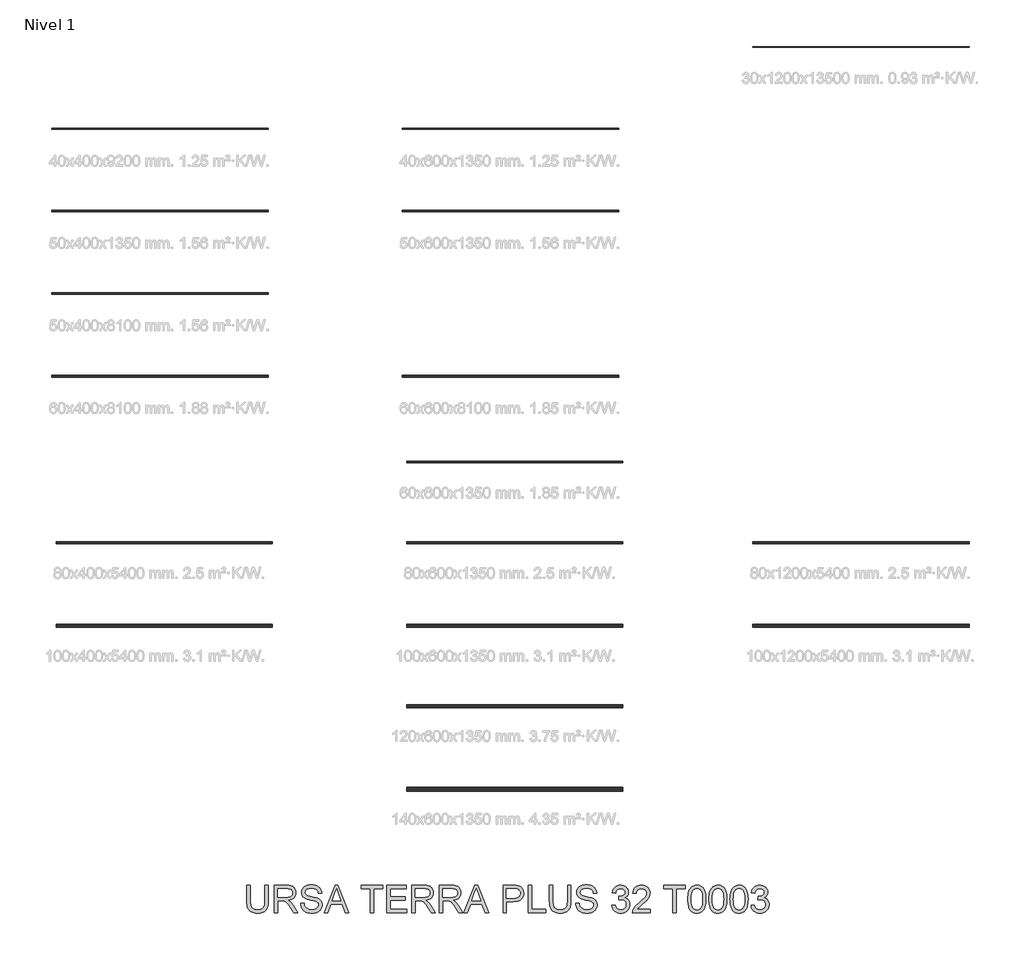
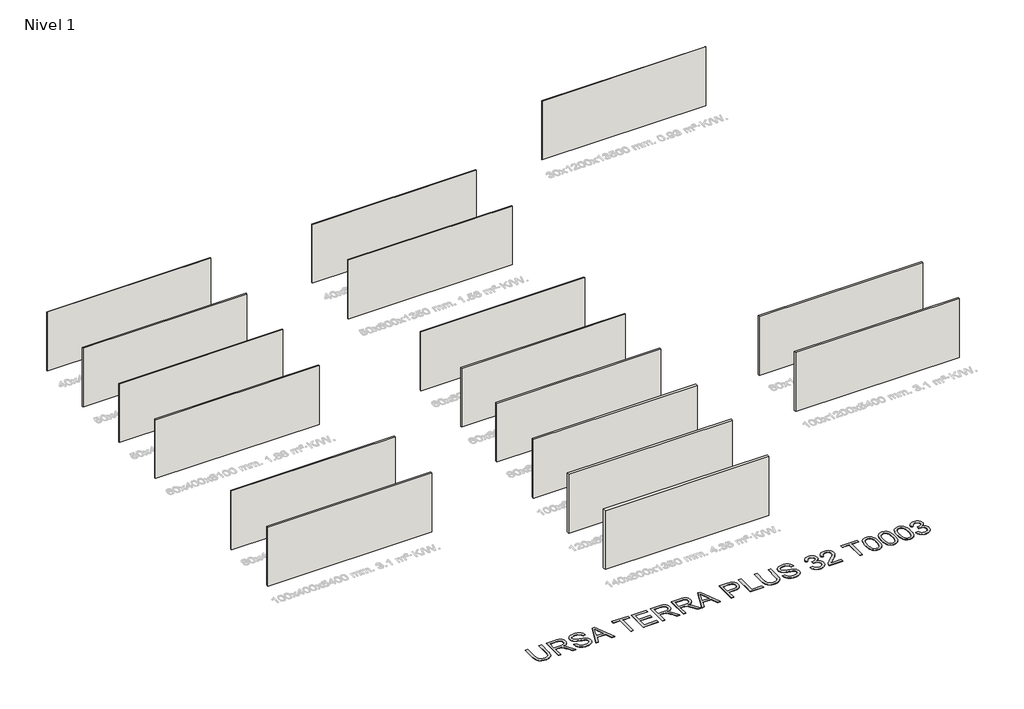
# One storey, part 1 of 18: 17 walls, 1 proxy.
"""IFC4 building model written with IfcOpenShell, lengths in millimetres."""

from ifc_helpers import new_model, si_unit, origin, origin_with_axes, place, context, project, spatial, polyline, outline, extrude, element, save

model = new_model("IFC4")

# Units and contexts
model_context = context("Model", 3, world=origin())
ifc_project = project(units=[si_unit("LENGTHUNIT", "METRE", prefix="MILLI")], contexts=[model_context])

# Site, building, storey
site = spatial("IfcSite", under=ifc_project)
building = spatial("IfcBuilding", under=site)
storey = spatial("IfcBuildingStorey", under=building, Name="Nivel 1", Elevation=0.0)

# Proxy
placement = place(None, origin())
element("IfcBuildingElementProxy", 1, Name="Texto de modelo 2", ObjectType="Texto de modelo 2", at=placement, inside=storey, context=model_context, shape_type="SweptSolid", body=[
    extrude(outline(polyline([(-18049.627589, -23651.2510129), (-17924.0572013, -23651.2510129), (-17924.0572013, -24230.7877827), (-17926.1878512, -24302.5477644), (-17932.5798009, -24366.5055821), (-17943.2330503, -24422.6612358), (-17958.1475996, -24471.0147255), (-17978.6110355, -24513.3977971), (-18005.9109453, -24551.6421961), (-18040.0473287, -24585.7479228), (-18081.0201859, -24615.714977), (-18128.8755022, -24640.1254802), (-18183.6592626, -24657.5615539), (-18245.3714673, -24668.0231981), (-18314.0121162, -24671.5104129), (-18380.9589751, -24668.4753864), (-18441.5138844, -24659.3703071), (-18495.676844, -24644.1951748), (-18543.4478539, -24622.9499895), (-18584.8345783, -24595.9489839), (-18619.8446815, -24563.5063905), (-18648.4781635, -24525.6222092), (-18670.7350242, -24482.29644), (-18687.4200055, -24432.0422267), (-18699.3378493, -24373.3727126), (-18706.4885556, -24306.287898), (-18708.8721244, -24230.7877827), (-18708.8721244, -23651.2510129), (-18583.3017367, -23651.2510129), (-18583.3017367, -24226.3731987), (-18581.7535666, -24287.0813921), (-18577.1090564, -24339.2210008), (-18569.3682061, -24382.7920246), (-18558.5310157, -24417.7944636), (-18543.9230348, -24446.7575065), (-18524.8698131, -24472.210342), (-18501.3713507, -24494.1529702), (-18473.4276475, -24512.585391), (-18441.5751981, -24527.1780435), (-18406.350497, -24537.6013666), (-18367.7535444, -24543.8553606), (-18325.7843401, -24545.9400252), (-18256.5765397, -24541.8166812), (-18198.0679741, -24529.4466491), (-18150.2586431, -24508.8299289), (-18130.3661907, -24495.4290608), (-18113.1485469, -24479.9665207), (-18098.2608224, -24461.572421), (-18085.3581278, -24439.3768739), (-18065.5078285, -24383.581438), (-18053.5976489, -24312.5802129), (-18049.627589, -24226.3731987), (-18049.627589, -23651.2510129)])), origin_with_axes(), (0.0, 0.0, 1.0), 10.0),
    extrude(outline(polyline([(-17704.3090229, -24655.8141144), (-17704.3090229, -23651.2510129), (-17271.4345419, -23651.2510129), (-17209.3008058, -23652.944803), (-17155.0918609, -23658.026173), (-17108.8077074, -23666.4951231), (-17070.4483452, -23678.3516532), (-17037.7834897, -23694.5078042), (-17008.5828563, -23715.8756168), (-16982.8464451, -23742.4550909), (-16960.574256, -23774.2462267), (-16942.6016877, -23809.5399056), (-16929.7641389, -23846.6270092), (-16922.0616096, -23885.5075376), (-16919.4940998, -23926.1814907), (-16923.7477354, -23977.7769405), (-16936.5086421, -24025.1417474), (-16957.77682, -24068.2759113), (-16987.552269, -24107.1794323), (-17026.2181995, -24140.6107086), (-17074.157822, -24167.3281385), (-17131.3711364, -24187.331722), (-17197.8581429, -24200.6214591), (-17156.4714184, -24227.6607857), (-17126.4890358, -24254.3322304), (-17075.0468701, -24315.3393279), (-17024.7083505, -24383.581438), (-16857.1994153, -24655.8141144), (-17003.1259401, -24655.8141144), (-17133.8466757, -24447.5929052), (-17186.1472327, -24368.1303942), (-17228.2697211, -24309.7597843), (-17263.3717948, -24269.5686763), (-17294.6111076, -24244.6446712), (-17324.1949514, -24230.0213618), (-17354.3306181, -24220.7323415), (-17427.1712532, -24216.3177575), (-17578.7386352, -24216.3177575), (-17578.7386352, -24655.8141144), (-17704.3090229, -24655.8141144)]), holes=[polyline([(-17578.7386352, -24090.7473698), (-17297.6767909, -24090.7473698), (-17216.9573498, -24086.3021291), (-17154.3254401, -24072.9664067), (-17129.1408518, -24062.742353), (-17107.175231, -24049.8511547), (-17088.4285777, -24034.292812), (-17072.9008918, -24016.0673248), (-17060.7224649, -23996.0714055), (-17052.0235886, -23975.2017665), (-17046.8042628, -23953.4584078), (-17045.0644875, -23930.8413293), (-17048.3830897, -23898.7282968), (-17058.3388962, -23869.5889771), (-17074.931907, -23843.4233702), (-17098.1621222, -23820.2314761), (-17128.5660362, -23801.2395681), (-17166.6801438, -23787.6739195), (-17212.5044448, -23779.5345303), (-17266.0389393, -23776.8214006), (-17578.7386352, -23776.8214006), (-17578.7386352, -24090.7473698)])]), origin_with_axes(), (0.0, 0.0, 1.0), 10.0),
    extrude(outline(polyline([(-16746.8348168, -24310.4955483), (-16621.2644291, -24310.4955483), (-16615.5162729, -24347.0461574), (-16606.8557176, -24380.1785295), (-16595.2827632, -24409.8926649), (-16580.7974096, -24436.1885633), (-16562.6638929, -24459.5950553), (-16540.1464491, -24480.6409711), (-16513.2450783, -24499.3263107), (-16481.9597802, -24515.6510743), (-16447.4401864, -24528.9024903), (-16410.8359278, -24538.3677875), (-16372.1470047, -24544.0469658), (-16331.3734169, -24545.9400252), (-16261.4145241, -24540.2071974), (-16229.7000305, -24533.0411628), (-16200.1621719, -24523.0087142), (-16173.5290483, -24510.4700695), (-16150.5287594, -24495.7854465), (-16131.1613052, -24478.9548453), (-16115.4266857, -24459.9782657), (-16103.2482588, -24439.6757781), (-16094.5493825, -24418.8674527), (-16089.3300567, -24397.5532896), (-16087.5902814, -24375.7332888), (-16092.801943, -24333.7027708), (-16108.4369278, -24297.3744238), (-16121.5887091, -24281.2565939), (-16140.1974067, -24266.3803657), (-16164.2630206, -24252.7457393), (-16193.7855507, -24240.3527145), (-16260.0962803, -24220.640371), (-16376.6229023, -24192.4054278), (-16496.6444032, -24160.6756058), (-16540.4453533, -24145.3855103), (-16573.4397697, -24130.4786253), (-16606.9706807, -24110.4750418), (-16635.9490521, -24088.2335095), (-16660.3748837, -24063.7540284), (-16680.2481756, -24037.0365985), (-16695.64557, -24008.3571313), (-16706.6437088, -23977.9915383), (-16713.2425921, -23945.9398195), (-16715.4422199, -23912.2019748), (-16712.7214259, -23874.8083029), (-16704.5590442, -23838.6562326), (-16690.9550745, -23803.7457641), (-16671.9095171, -23770.0768974), (-16647.6369696, -23739.0215256), (-16618.35203, -23711.9515421), (-16584.0546981, -23688.8669469), (-16544.7449741, -23669.76774), (-16501.7487659, -23654.7995413), (-16456.3919816, -23644.1079709), (-16408.6746211, -23637.6930286), (-16358.5966845, -23635.5547145), (-16303.9662082, -23637.7926633), (-16252.6466699, -23644.5065097), (-16204.6380695, -23655.6962537), (-16159.9404071, -23671.3618953), (-16119.3814172, -23691.3654788), (-16083.7888341, -23715.5690484), (-16053.162658, -23743.9726041), (-16027.5028889, -23776.576146), (-16007.0087961, -23812.4293121), (-15991.879649, -23850.5817407), (-15982.1154477, -23891.0334317), (-15977.7161922, -23933.7843852), (-16103.2865799, -23933.7843852), (-16111.6865521, -23893.7159046), (-16126.3405182, -23858.8590855), (-16147.2484783, -23829.2139281), (-16174.4104323, -23804.7804323), (-16208.3322179, -23785.6812253), (-16249.519673, -23772.0389347), (-16297.9727974, -23763.8535603), (-16353.6915913, -23761.1251022), (-16411.1884814, -23763.8229035), (-16460.3160562, -23771.9163074), (-16501.0743156, -23785.4053138), (-16533.4632596, -23804.2899229), (-16558.1420101, -23826.9913077), (-16575.769689, -23851.9306413), (-16586.3462964, -23879.1079237), (-16589.8718322, -23908.5231549), (-16587.3733003, -23933.8303705), (-16579.8777046, -23956.7770099), (-16567.3850452, -23977.3630732), (-16549.895322, -23995.5885604), (-16522.365486, -24012.8483574), (-16479.0167243, -24030.2920953), (-16419.8490367, -24047.9197742), (-16344.8624234, -24065.7313942), (-16206.4161659, -24099.3925967), (-16157.7024583, -24114.6137143), (-16122.6616983, -24128.7618427), (-16084.1643803, -24150.2062973), (-16051.0779934, -24174.3178964), (-16023.4025375, -24201.09664), (-16001.1380125, -24230.542528), (-15984.0238356, -24262.5022763), (-15971.7994234, -24296.8226008), (-15964.4647762, -24333.5035014), (-15962.0198937, -24372.5449781), (-15964.8326582, -24411.8240453), (-15973.2709514, -24449.9534813), (-15987.3347735, -24486.933286), (-16007.0241245, -24522.7634595), (-16031.9941149, -24556.0567801), (-16061.8998554, -24585.426026), (-16096.741346, -24610.8711974), (-16136.5185868, -24632.3922941), (-16180.0742822, -24649.5064711), (-16226.2511368, -24661.7308832), (-16275.0491506, -24669.0655305), (-16326.4683236, -24671.5104129), (-16390.7020528, -24668.8739253), (-16449.4941942, -24660.9644624), (-16502.8447477, -24647.7820242), (-16550.7537133, -24629.3266108), (-16593.5123311, -24605.5675653), (-16631.4118408, -24576.4742308), (-16664.4522425, -24542.0466074), (-16692.6335362, -24502.2846951), (-16715.3349209, -24458.4760809), (-16731.935596, -24411.9083516), (-16742.4355612, -24362.5815074), (-16746.8348168, -24310.4955483)])), origin_with_axes(), (0.0, 0.0, 1.0), 10.0),
    extrude(outline(polyline([(-15890.6507867, -24655.8141144), (-15489.6594119, -23651.2510129), (-15382.7283787, -23651.2510129), (-14981.7370039, -24655.8141144), (-15114.4197768, -24655.8141144), (-15229.444214, -24341.8881452), (-15643.1888312, -24341.8881452), (-15757.9680137, -24655.8141144), (-15890.6507867, -24655.8141144)]), holes=[polyline([(-15597.0809545, -24216.3177575), (-15275.3068361, -24216.3177575), (-15365.8058069, -23969.3463114), (-15436.1938953, -23776.8214006), (-15498.7338345, -23947.763901), (-15597.0809545, -24216.3177575)])]), origin_with_axes(), (0.0, 0.0, 1.0), 10.0),
    extrude(outline(polyline([(-14204.0344661, -24655.8141144), (-14204.0344661, -23776.8214006), (-14533.6567338, -23776.8214006), (-14533.6567338, -23651.2510129), (-13748.8418107, -23651.2510129), (-13748.8418107, -23776.8214006), (-14078.4640784, -23776.8214006), (-14078.4640784, -24655.8141144), (-14204.0344661, -24655.8141144)])), origin_with_axes(), (0.0, 0.0, 1.0), 10.0),
    extrude(outline(polyline([(-13607.5751246, -24655.8141144), (-13607.5751246, -23651.2510129), (-12885.5453954, -23651.2510129), (-12885.5453954, -23776.8214006), (-13482.0047369, -23776.8214006), (-13482.0047369, -24075.0510714), (-12916.9379923, -24075.0510714), (-12916.9379923, -24200.6214591), (-13482.0047369, -24200.6214591), (-13482.0047369, -24530.2437267), (-12869.8490969, -24530.2437267), (-12869.8490969, -24655.8141144), (-13607.5751246, -24655.8141144)])), origin_with_axes(), (0.0, 0.0, 1.0), 10.0),
    extrude(outline(polyline([(-12681.4935154, -24655.8141144), (-12681.4935154, -23651.2510129), (-12248.6190344, -23651.2510129), (-12186.4852983, -23652.944803), (-12132.2763534, -23658.026173), (-12085.9921999, -23666.4951231), (-12047.6328377, -23678.3516532), (-12014.9679822, -23694.5078042), (-11985.7673489, -23715.8756168), (-11960.0309376, -23742.4550909), (-11937.7587485, -23774.2462267), (-11919.7861802, -23809.5399056), (-11906.9486314, -23846.6270092), (-11899.2461021, -23885.5075376), (-11896.6785924, -23926.1814907), (-11900.9322279, -23977.7769405), (-11913.6931346, -24025.1417474), (-11934.9613125, -24068.2759113), (-11964.7367615, -24107.1794323), (-12003.402692, -24140.6107086), (-12051.3423145, -24167.3281385), (-12108.555629, -24187.331722), (-12175.0426354, -24200.6214591), (-12133.6559109, -24227.6607857), (-12103.6735283, -24254.3322304), (-12052.2313627, -24315.3393279), (-12001.892843, -24383.581438), (-11834.3839078, -24655.8141144), (-11980.3104326, -24655.8141144), (-12111.0311682, -24447.5929052), (-12163.3317252, -24368.1303942), (-12205.4542136, -24309.7597843), (-12240.5562874, -24269.5686763), (-12271.7956001, -24244.6446712), (-12301.3794439, -24230.0213618), (-12331.5151107, -24220.7323415), (-12404.3557457, -24216.3177575), (-12555.9231277, -24216.3177575), (-12555.9231277, -24655.8141144), (-12681.4935154, -24655.8141144)]), holes=[polyline([(-12555.9231277, -24090.7473698), (-12274.8612834, -24090.7473698), (-12194.1418423, -24086.3021291), (-12131.5099326, -24072.9664067), (-12106.3253444, -24062.742353), (-12084.3597236, -24049.8511547), (-12065.6130702, -24034.292812), (-12050.0853844, -24016.0673248), (-12037.9069575, -23996.0714055), (-12029.2080811, -23975.2017665), (-12023.9887553, -23953.4584078), (-12022.24898, -23930.8413293), (-12025.5675822, -23898.7282968), (-12035.5233887, -23869.5889771), (-12052.1163995, -23843.4233702), (-12075.3466147, -23820.2314761), (-12105.7505287, -23801.2395681), (-12143.8646363, -23787.6739195), (-12189.6889373, -23779.5345303), (-12243.2234318, -23776.8214006), (-12555.9231277, -23776.8214006), (-12555.9231277, -24090.7473698)])]), origin_with_axes(), (0.0, 0.0, 1.0), 10.0),
    extrude(outline(polyline([(-11676.9304139, -24655.8141144), (-11676.9304139, -23651.2510129), (-11244.0559329, -23651.2510129), (-11181.9221968, -23652.944803), (-11127.7132519, -23658.026173), (-11081.4290984, -23666.4951231), (-11043.0697362, -23678.3516532), (-11010.4048807, -23694.5078042), (-10981.2042474, -23715.8756168), (-10955.4678361, -23742.4550909), (-10933.195647, -23774.2462267), (-10915.2230787, -23809.5399056), (-10902.3855299, -23846.6270092), (-10894.6830006, -23885.5075376), (-10892.1154909, -23926.1814907), (-10896.3691264, -23977.7769405), (-10909.1300331, -24025.1417474), (-10930.398211, -24068.2759113), (-10960.17366, -24107.1794323), (-10998.8395905, -24140.6107086), (-11046.779213, -24167.3281385), (-11103.9925275, -24187.331722), (-11170.4795339, -24200.6214591), (-11129.0928094, -24227.6607857), (-11099.1104268, -24254.3322304), (-11047.6682612, -24315.3393279), (-10997.3297415, -24383.581438), (-10829.8208063, -24655.8141144), (-10975.7473311, -24655.8141144), (-11106.4680667, -24447.5929052), (-11158.7686237, -24368.1303942), (-11200.8911122, -24309.7597843), (-11235.9931859, -24269.5686763), (-11267.2324986, -24244.6446712), (-11296.8163424, -24230.0213618), (-11326.9520092, -24220.7323415), (-11399.7926442, -24216.3177575), (-11551.3600262, -24216.3177575), (-11551.3600262, -24655.8141144), (-11676.9304139, -24655.8141144)]), holes=[polyline([(-11551.3600262, -24090.7473698), (-11270.2981819, -24090.7473698), (-11189.5787408, -24086.3021291), (-11126.9468311, -24072.9664067), (-11101.7622429, -24062.742353), (-11079.7966221, -24049.8511547), (-11061.0499687, -24034.292812), (-11045.5222829, -24016.0673248), (-11033.343856, -23996.0714055), (-11024.6449796, -23975.2017665), (-11019.4256538, -23953.4584078), (-11017.6858786, -23930.8413293), (-11021.0044807, -23898.7282968), (-11030.9602872, -23869.5889771), (-11047.553298, -23843.4233702), (-11070.7835132, -23820.2314761), (-11101.1874273, -23801.2395681), (-11139.3015348, -23787.6739195), (-11185.1258358, -23779.5345303), (-11238.6603303, -23776.8214006), (-11551.3600262, -23776.8214006), (-11551.3600262, -24090.7473698)])]), origin_with_axes(), (0.0, 0.0, 1.0), 10.0),
    extrude(outline(polyline([(-10789.3537869, -24655.8141144), (-10388.3624121, -23651.2510129), (-10281.4313789, -23651.2510129), (-9880.4400041, -24655.8141144), (-10013.1227771, -24655.8141144), (-10128.1472142, -24341.8881452), (-10541.8918315, -24341.8881452), (-10656.671014, -24655.8141144), (-10789.3537869, -24655.8141144)]), holes=[polyline([(-10495.7839547, -24216.3177575), (-10174.0098363, -24216.3177575), (-10264.5088071, -23969.3463114), (-10334.8968955, -23776.8214006), (-10397.4368347, -23947.763901), (-10495.7839547, -24216.3177575)])]), origin_with_axes(), (0.0, 0.0, 1.0), 10.0),
    extrude(outline(polyline([(-9353.8782417, -24655.8141144), (-9353.8782417, -23651.2510129), (-8981.5816626, -23651.2510129), (-8894.8841391, -23653.6422459), (-8831.4858085, -23660.8159448), (-8796.5446832, -23668.3498615), (-8764.5619423, -23678.6888784), (-8735.5375857, -23691.8329955), (-8709.4716135, -23707.7822129), (-8686.0881142, -23726.8660914), (-8665.1111762, -23749.414192), (-8646.5407997, -23775.4265147), (-8630.3769845, -23804.9030596), (-8617.2865169, -23836.8704721), (-8607.9361828, -23870.3553979), (-8602.3259824, -23905.3578369), (-8600.4559156, -23941.8777891), (-8605.5066288, -24003.5440086), (-8620.6587685, -24060.2744779), (-8645.9123346, -24112.0691971), (-8681.2673272, -24158.9281663), (-8703.5031113, -24179.7364916), (-8729.8047579, -24197.7703736), (-8760.172267, -24213.0298122), (-8794.6056385, -24225.5148074), (-8833.1048725, -24235.2253592), (-8875.669969, -24242.1614677), (-8972.9977494, -24247.7103545), (-9228.307854, -24247.7103545), (-9228.307854, -24655.8141144), (-9353.8782417, -24655.8141144)]), holes=[polyline([(-9228.307854, -24122.1399668), (-8965.6401095, -24122.1399668), (-8905.2461486, -24119.2582245), (-8854.2944923, -24110.6129976), (-8812.7851405, -24096.2042861), (-8780.7180932, -24076.03209), (-8756.7904351, -24050.632904), (-8739.6992508, -24020.5432224), (-8729.4445401, -23985.7630455), (-8726.0263033, -23946.2923731), (-8728.04199, -23916.9844408), (-8734.0890503, -23889.8838005), (-8744.1674842, -23864.9904521), (-8758.2772915, -23842.3043958), (-8775.66738, -23822.5613954), (-8795.5866572, -23806.4972149), (-8818.0351231, -23794.1118544), (-8843.0127777, -23785.4053138), (-8891.4505738, -23778.9673789), (-8968.5831654, -23776.8214006), (-9228.307854, -23776.8214006), (-9228.307854, -24122.1399668)])]), origin_with_axes(), (0.0, 0.0, 1.0), 10.0),
    extrude(outline(polyline([(-8427.7966325, -24655.8141144), (-8427.7966325, -23651.2510129), (-8302.2262448, -23651.2510129), (-8302.2262448, -24530.2437267), (-7799.9446941, -24530.2437267), (-7799.9446941, -24655.8141144), (-8427.7966325, -24655.8141144)])), origin_with_axes(), (0.0, 0.0, 1.0), 10.0),
    extrude(outline(polyline([(-6999.4334726, -23651.2510129), (-6873.8630849, -23651.2510129), (-6873.8630849, -24230.7877827), (-6875.9937348, -24302.5477644), (-6882.3856844, -24366.5055821), (-6893.0389339, -24422.6612358), (-6907.9534831, -24471.0147255), (-6928.4169191, -24513.3977971), (-6955.7168288, -24551.6421961), (-6989.8532123, -24585.7479228), (-7030.8260695, -24615.714977), (-7078.6813857, -24640.1254802), (-7133.4651461, -24657.5615539), (-7195.1773508, -24668.0231981), (-7263.8179998, -24671.5104129), (-7330.7648587, -24668.4753864), (-7391.3197679, -24659.3703071), (-7445.4827275, -24644.1951748), (-7493.2537374, -24622.9499895), (-7534.6404619, -24595.9489839), (-7569.6505651, -24563.5063905), (-7598.2840471, -24525.6222092), (-7620.5409078, -24482.29644), (-7637.2258891, -24432.0422267), (-7649.1437329, -24373.3727126), (-7656.2944392, -24306.287898), (-7658.6780079, -24230.7877827), (-7658.6780079, -23651.2510129), (-7533.1076202, -23651.2510129), (-7533.1076202, -24226.3731987), (-7531.5594502, -24287.0813921), (-7526.91494, -24339.2210008), (-7519.1740897, -24382.7920246), (-7508.3368992, -24417.7944636), (-7493.7289183, -24446.7575065), (-7474.6756967, -24472.210342), (-7451.1772342, -24494.1529702), (-7423.233531, -24512.585391), (-7391.3810816, -24527.1780435), (-7356.1563806, -24537.6013666), (-7317.5594279, -24543.8553606), (-7275.5902236, -24545.9400252), (-7206.3824233, -24541.8166812), (-7147.8738576, -24529.4466491), (-7100.0645267, -24508.8299289), (-7080.1720742, -24495.4290608), (-7062.9544304, -24479.9665207), (-7048.0667059, -24461.572421), (-7035.1640114, -24439.3768739), (-7015.313712, -24383.581438), (-7003.4035324, -24312.5802129), (-6999.4334726, -24226.3731987), (-6999.4334726, -23651.2510129)])), origin_with_axes(), (0.0, 0.0, 1.0), 10.0),
    extrude(outline(polyline([(-6701.2038018, -24310.4955483), (-6575.6334141, -24310.4955483), (-6569.885258, -24347.0461574), (-6561.2247026, -24380.1785295), (-6549.6517482, -24409.8926649), (-6535.1663947, -24436.1885633), (-6517.032878, -24459.5950553), (-6494.5154342, -24480.6409711), (-6467.6140633, -24499.3263107), (-6436.3287653, -24515.6510743), (-6401.8091714, -24528.9024903), (-6365.2049129, -24538.3677875), (-6326.5159897, -24544.0469658), (-6285.7424019, -24545.9400252), (-6215.7835092, -24540.2071974), (-6184.0690155, -24533.0411628), (-6154.531157, -24523.0087142), (-6127.8980334, -24510.4700695), (-6104.8977445, -24495.7854465), (-6085.5302903, -24478.9548453), (-6069.7956708, -24459.9782657), (-6057.6172439, -24439.6757781), (-6048.9183675, -24418.8674527), (-6043.6990417, -24397.5532896), (-6041.9592665, -24375.7332888), (-6047.1709281, -24333.7027708), (-6062.8059128, -24297.3744238), (-6075.9576942, -24281.2565939), (-6094.5663918, -24266.3803657), (-6118.6320056, -24252.7457393), (-6148.1545357, -24240.3527145), (-6214.4652654, -24220.640371), (-6330.9918873, -24192.4054278), (-6451.0133883, -24160.6756058), (-6494.8143383, -24145.3855103), (-6527.8087548, -24130.4786253), (-6561.3396658, -24110.4750418), (-6590.3180371, -24088.2335095), (-6614.7438687, -24063.7540284), (-6634.6171607, -24037.0365985), (-6650.014555, -24008.3571313), (-6661.0126938, -23977.9915383), (-6667.6115771, -23945.9398195), (-6669.8112049, -23912.2019748), (-6667.090411, -23874.8083029), (-6658.9280292, -23838.6562326), (-6645.3240596, -23803.7457641), (-6626.2785021, -23770.0768974), (-6602.0059547, -23739.0215256), (-6572.721015, -23711.9515421), (-6538.4236832, -23688.8669469), (-6499.1139591, -23669.76774), (-6456.1177509, -23654.7995413), (-6410.7609666, -23644.1079709), (-6363.0436062, -23637.6930286), (-6312.9656696, -23635.5547145), (-6258.3351933, -23637.7926633), (-6207.015655, -23644.5065097), (-6159.0070546, -23655.6962537), (-6114.3093922, -23671.3618953), (-6073.7504022, -23691.3654788), (-6038.1578192, -23715.5690484), (-6007.5316431, -23743.9726041), (-5981.8718739, -23776.576146), (-5961.3777811, -23812.4293121), (-5946.248634, -23850.5817407), (-5936.4844328, -23891.0334317), (-5932.0851772, -23933.7843852), (-6057.6555649, -23933.7843852), (-6066.0555371, -23893.7159046), (-6080.7095033, -23858.8590855), (-6101.6174633, -23829.2139281), (-6128.7794173, -23804.7804323), (-6162.701203, -23785.6812253), (-6203.888658, -23772.0389347), (-6252.3417824, -23763.8535603), (-6308.0605763, -23761.1251022), (-6365.5574665, -23763.8229035), (-6414.6850412, -23771.9163074), (-6455.4433006, -23785.4053138), (-6487.8322446, -23804.2899229), (-6512.5109951, -23826.9913077), (-6530.1386741, -23851.9306413), (-6540.7152814, -23879.1079237), (-6544.2408172, -23908.5231549), (-6541.7422853, -23933.8303705), (-6534.2466897, -23956.7770099), (-6521.7540302, -23977.3630732), (-6504.2643071, -23995.5885604), (-6476.7344711, -24012.8483574), (-6433.3857093, -24030.2920953), (-6374.2180218, -24047.9197742), (-6299.2314084, -24065.7313942), (-6160.7851509, -24099.3925967), (-6112.0714434, -24114.6137143), (-6077.0306833, -24128.7618427), (-6038.5333654, -24150.2062973), (-6005.4469784, -24174.3178964), (-5977.7715225, -24201.09664), (-5955.5069976, -24230.542528), (-5938.3928206, -24262.5022763), (-5926.1684085, -24296.8226008), (-5918.8337612, -24333.5035014), (-5916.3888788, -24372.5449781), (-5919.2016432, -24411.8240453), (-5927.6399365, -24449.9534813), (-5941.7037586, -24486.933286), (-5961.3931095, -24522.7634595), (-5986.3630999, -24556.0567801), (-6016.2688405, -24585.426026), (-6051.1103311, -24610.8711974), (-6090.8875718, -24632.3922941), (-6134.4432672, -24649.5064711), (-6180.6201218, -24661.7308832), (-6229.4181356, -24669.0655305), (-6280.8373087, -24671.5104129), (-6345.0710379, -24668.8739253), (-6403.8631792, -24660.9644624), (-6457.2137327, -24647.7820242), (-6505.1226984, -24629.3266108), (-6547.8813161, -24605.5675653), (-6585.7808258, -24576.4742308), (-6618.8212275, -24542.0466074), (-6647.0025212, -24502.2846951), (-6669.703906, -24458.4760809), (-6686.304581, -24411.9083516), (-6696.8045463, -24362.5815074), (-6701.2038018, -24310.4955483)])), origin_with_axes(), (0.0, 0.0, 1.0), 10.0),
    extrude(outline(polyline([(-5382.7147311, -24388.9770406), (-5257.1443434, -24373.2807421), (-5244.7206619, -24415.9397252), (-5229.0320276, -24452.1914301), (-5210.0784407, -24482.035857), (-5187.859901, -24505.4730057), (-5161.8705709, -24523.1773268), (-5131.6046126, -24535.8232703), (-5097.0620261, -24543.4108365), (-5058.2428114, -24545.9400252), (-5012.7480713, -24542.4604747), (-4972.1584245, -24532.0218231), (-4936.4738709, -24514.6240704), (-4905.6944107, -24490.2672166), (-4880.9083613, -24460.7753433), (-4863.2040402, -24427.9725321), (-4852.5814476, -24391.8587829), (-4849.0405834, -24352.4340957), (-4852.5507908, -24314.8871396), (-4863.0814129, -24280.7277635), (-4880.6324498, -24249.9559675), (-4905.2039014, -24222.5717514), (-4935.186284, -24200.0926287), (-4968.9701139, -24184.0361125), (-5006.555391, -24174.4022027), (-5047.9421155, -24171.1908995), (-5087.6120573, -24174.6244647), (-5135.9885397, -24184.9251606), (-5122.0090239, -24059.3547729), (-5101.8981414, -24060.8263009), (-5063.2858604, -24058.5730237), (-5026.6662734, -24051.813192), (-4992.0393806, -24040.5468059), (-4959.405182, -24024.7738654), (-4931.7220618, -24004.3257578), (-4911.9484046, -23979.0338706), (-4900.0842103, -23948.8982039), (-4896.1294788, -23913.9187575), (-4898.9958927, -23885.522866), (-4907.5951343, -23859.68682), (-4921.9272037, -23836.4106196), (-4941.9921009, -23815.6942648), (-4966.5788809, -23798.6873867), (-4994.4765989, -23786.5396167), (-5025.6852548, -23779.2509546), (-5060.2048487, -23776.8214006), (-5094.632472, -23779.2739473), (-5126.0557258, -23786.6315872), (-5154.4746099, -23798.8943203), (-5179.8891244, -23816.0621468), (-5201.6708042, -23838.1350665), (-5219.1911842, -23865.1130795), (-5232.4502645, -23896.9961857), (-5241.448045, -23933.7843852), (-5367.0184326, -23918.0880868), (-5352.1345402, -23858.13865), (-5330.0462921, -23805.3322553), (-5300.7536883, -23759.6689026), (-5264.2567287, -23721.148592), (-5221.7050445, -23690.5684012), (-5174.2482672, -23668.7254077), (-5121.8863965, -23655.6196116), (-5064.6194326, -23651.2510129), (-5024.3440183, -23653.4046555), (-4985.6780878, -23659.865583), (-4948.621641, -23670.6337956), (-4913.1746779, -23685.7092932), (-4880.5711361, -23704.5172602), (-4852.0449531, -23726.482881), (-4827.5961288, -23751.6061555), (-4807.2246633, -23779.8870839), (-4791.1834755, -23810.1990275), (-4779.7254842, -23841.4153476), (-4772.8506894, -23873.5360443), (-4770.5590911, -23906.5611176), (-4772.7357263, -23937.6164893), (-4779.2656317, -23967.2616468), (-4790.1488074, -23995.4965899), (-4805.3852533, -24022.3213187), (-4824.8829991, -24047.1073682), (-4848.5500741, -24069.2262731), (-4876.3864784, -24088.6780336), (-4908.392212, -24105.4626496), (-4866.545635, -24118.5531173), (-4829.7880923, -24137.2231286), (-4798.1195839, -24161.4726834), (-4771.5401098, -24191.3017819), (-4750.5095224, -24225.9746599), (-4735.4876743, -24264.7555536), (-4726.4745654, -24307.6444628), (-4723.4701957, -24354.6413877), (-4729.478935, -24418.3462865), (-4736.9898591, -24448.3133407), (-4747.5051528, -24477.0234648), (-4761.0248161, -24504.4766587), (-4777.548849, -24530.6729224), (-4819.6100238, -24579.2946594), (-4844.4382264, -24600.9077267), (-4870.8529201, -24619.6390516), (-4898.8541048, -24635.4886342), (-4928.4417807, -24648.4564745), (-4959.6159477, -24658.5425726), (-4992.3766058, -24665.7469283), (-5062.6573953, -24671.5104129), (-5126.1783531, -24666.5899912), (-5184.0584537, -24651.8287262), (-5236.297697, -24627.2266177), (-5282.8960831, -24592.7836659), (-5321.9682166, -24550.5232217), (-5351.6287025, -24502.4686361), (-5371.8775407, -24448.6199091), (-5382.7147311, -24388.9770406)])), origin_with_axes(), (0.0, 0.0, 1.0), 10.0),
    extrude(outline(polyline([(-3970.0478696, -24530.2437267), (-3970.0478696, -24655.8141144), (-4629.292405, -24655.8141144), (-4626.53329, -24611.6069613), (-4615.8033985, -24569.2392182), (-4602.1151226, -24535.1564842), (-4584.8399972, -24501.579588), (-4563.9780224, -24468.5085294), (-4539.5291982, -24435.9433086), (-4510.0219965, -24402.611667), (-4473.9848893, -24367.241346), (-4382.3209589, -24290.3846659), (-4246.8177573, -24170.0259398), (-4199.3916368, -24121.6647859), (-4165.5158364, -24081.182438), (-4141.8027761, -24044.8847478), (-4124.8648759, -24009.0775669), (-4114.7021358, -23973.7608954), (-4111.3145558, -23938.9347332), (-4114.5105306, -23906.170243), (-4124.0984551, -23876.0575688), (-4140.0783293, -23848.5967107), (-4162.4501531, -23823.7876687), (-4189.9723249, -23803.2399264), (-4221.4032428, -23788.5629676), (-4256.742907, -23779.7567924), (-4295.9913173, -23776.8214006), (-4337.3397208, -23779.6878145), (-4374.3195255, -23788.2870561), (-4406.9307315, -23802.6191255), (-4435.1733389, -23822.6840227), (-4458.0203436, -23847.8072973), (-4474.4447418, -23877.314499), (-4484.4465336, -23911.2056278), (-4488.0257188, -23949.4806837), (-4613.5961065, -23933.7843852), (-4602.7972371, -23868.960512), (-4583.1538714, -23812.3220132), (-4554.6660094, -23763.8688887), (-4517.3336511, -23723.6011387), (-4472.0151878, -23691.9479587), (-4419.5690109, -23669.3385444), (-4359.9951203, -23655.7728958), (-4293.293516, -23651.2510129), (-4225.9941036, -23656.2787335), (-4166.0983162, -23671.3618953), (-4113.606154, -23696.5004983), (-4068.517617, -23731.6945425), (-4032.3042331, -23774.3381972), (-4006.4375303, -23821.8256314), (-3990.9175086, -23874.1568452), (-3985.7441681, -23931.3318386), (-3991.3237117, -23991.3885743), (-4008.0623425, -24050.4029777), (-4037.7688136, -24110.4290566), (-4082.2518781, -24173.5208188), (-4112.9470321, -24208.5079293), (-4153.1611327, -24248.8446573), (-4262.1461738, -24345.5669652), (-4406.6011706, -24466.3548869), (-4437.9324538, -24498.2073363), (-4463.2549978, -24530.2437267), (-3970.0478696, -24530.2437267)])), origin_with_axes(), (0.0, 0.0, 1.0), 10.0),
    extrude(outline(polyline([(-3153.8403497, -24655.8141144), (-3153.8403497, -23776.8214006), (-3483.4626173, -23776.8214006), (-3483.4626173, -23651.2510129), (-2698.6476943, -23651.2510129), (-2698.6476943, -23776.8214006), (-3028.269962, -23776.8214006), (-3028.269962, -24655.8141144), (-3153.8403497, -24655.8141144)])), origin_with_axes(), (0.0, 0.0, 1.0), 10.0),
    extrude(outline(polyline([(-2604.4699035, -24161.6259676), (-2602.1629768, -24077.1587286), (-2595.2421968, -24000.8308789), (-2583.7075634, -23932.6424182), (-2567.5590767, -23872.5933467), (-2546.8657144, -23820.193155), (-2521.6964546, -23774.9513338), (-2492.0512972, -23736.8678831), (-2457.9302421, -23705.9428029), (-2419.2183263, -23682.0151448), (-2375.8005867, -23664.9239604), (-2327.6770232, -23654.6692498), (-2274.8476358, -23651.2510129), (-2235.1470372, -23653.2743639), (-2197.4697895, -23659.3444168), (-2161.8158928, -23669.4611717), (-2128.1853471, -23683.6246285), (-2097.3905584, -23701.5971968), (-2070.2439329, -23723.1412862), (-2046.7454704, -23748.2568965), (-2026.8951711, -23776.944028), (-1994.1536735, -23844.5730014), (-1968.0340519, -23925.568354), (-1958.0552527, -23973.2014082), (-1950.9275391, -24028.4220285), (-1945.2253682, -24161.6259676), (-1947.5093022, -24245.5567119), (-1954.3611044, -24321.5013513), (-1965.7807746, -24389.4598857), (-1981.768313, -24449.4323151), (-2002.3007269, -24501.8554995), (-2027.3550236, -24547.1662985), (-2056.9312032, -24585.3647124), (-2091.0292656, -24616.4507409), (-2129.7871666, -24640.5393474), (-2173.342862, -24657.7454949), (-2221.6963518, -24668.0691834), (-2274.8476358, -24671.5104129), (-2344.0094509, -24665.5323305), (-2375.6473025, -24658.0597274), (-2405.3231168, -24647.5980832), (-2433.0368938, -24634.1473978), (-2458.7886334, -24617.7076711), (-2482.5783358, -24598.2789032), (-2504.4060008, -24575.8610941), (-2527.858478, -24540.3643137), (-2548.1839583, -24500.2153589), (-2565.3824415, -24455.4142297), (-2579.4539279, -24405.960926), (-2590.3984172, -24351.855448), (-2598.2159096, -24293.0977956), (-2602.906405, -24229.6879688), (-2604.4699035, -24161.6259676)]), holes=[polyline([(-2478.8995158, -24161.3807129), (-2475.2206959, -24270.5420308), (-2464.184236, -24358.9026875), (-2445.7901363, -24426.4626831), (-2433.8339714, -24452.4424329), (-2420.0383966, -24473.2220175), (-2388.8910543, -24505.0361459), (-2354.3101468, -24527.7605233), (-2316.295674, -24541.3951497), (-2274.8476358, -24545.9400252), (-2233.3995977, -24541.3798213), (-2195.3851249, -24527.6992096), (-2160.8042173, -24504.8981901), (-2129.6568751, -24472.9767628), (-2115.8613003, -24452.1473609), (-2103.9051354, -24426.1407863), (-2085.5110357, -24358.5961192), (-2074.4745758, -24270.3427614), (-2070.7957559, -24161.3807129), (-2074.3519485, -24055.1088016), (-2085.0205263, -23968.3039791), (-2102.8014894, -23900.9662456), (-2114.3591154, -23874.5975372), (-2127.6948378, -23853.095601), (-2158.3210139, -23819.7256383), (-2193.3004602, -23795.8899507), (-2232.6331769, -23781.5885381), (-2276.3191638, -23776.8214006), (-2317.5526041, -23781.0213867), (-2354.9232835, -23793.6213451), (-2388.4312019, -23814.6212756), (-2418.0763593, -23844.0211784), (-2432.3317866, -23867.8108808), (-2444.6864903, -23896.1377944), (-2463.6937267, -23966.4032555), (-2475.0980686, -24054.8175616), (-2478.8995158, -24161.3807129)])]), origin_with_axes(), (0.0, 0.0, 1.0), 10.0),
    extrude(outline(polyline([(-1835.3512789, -24161.6259676), (-1833.0443523, -24077.1587286), (-1826.1235722, -24000.8308789), (-1814.5889388, -23932.6424182), (-1798.4404521, -23872.5933467), (-1777.7470899, -23820.193155), (-1752.57783, -23774.9513338), (-1722.9326726, -23736.8678831), (-1688.8116175, -23705.9428029), (-1650.0997017, -23682.0151448), (-1606.6819621, -23664.9239604), (-1558.5583986, -23654.6692498), (-1505.7290113, -23651.2510129), (-1466.0284126, -23653.2743639), (-1428.3511649, -23659.3444168), (-1392.6972682, -23669.4611717), (-1359.0667225, -23683.6246285), (-1328.2719338, -23701.5971968), (-1301.1253083, -23723.1412862), (-1277.6268458, -23748.2568965), (-1257.7765465, -23776.944028), (-1225.0350489, -23844.5730014), (-1198.9154273, -23925.568354), (-1188.9366282, -23973.2014082), (-1181.8089145, -24028.4220285), (-1176.1067436, -24161.6259676), (-1178.3906776, -24245.5567119), (-1185.2424798, -24321.5013513), (-1196.6621501, -24389.4598857), (-1212.6496884, -24449.4323151), (-1233.1821023, -24501.8554995), (-1258.236399, -24547.1662985), (-1287.8125786, -24585.3647124), (-1321.910641, -24616.4507409), (-1360.668542, -24640.5393474), (-1404.2242374, -24657.7454949), (-1452.5777272, -24668.0691834), (-1505.7290113, -24671.5104129), (-1574.8908264, -24665.5323305), (-1606.5286779, -24658.0597274), (-1636.2044922, -24647.5980832), (-1663.9182692, -24634.1473978), (-1689.6700089, -24617.7076711), (-1713.4597112, -24598.2789032), (-1735.2873763, -24575.8610941), (-1758.7398534, -24540.3643137), (-1779.0653337, -24500.2153589), (-1796.263817, -24455.4142297), (-1810.3353033, -24405.960926), (-1821.2797926, -24351.855448), (-1829.097285, -24293.0977956), (-1833.7877805, -24229.6879688), (-1835.3512789, -24161.6259676)]), holes=[polyline([(-1709.7808913, -24161.3807129), (-1706.1020713, -24270.5420308), (-1695.0656114, -24358.9026875), (-1676.6715117, -24426.4626831), (-1664.7153468, -24452.4424329), (-1650.919772, -24473.2220175), (-1619.7724298, -24505.0361459), (-1585.1915222, -24527.7605233), (-1547.1770494, -24541.3951497), (-1505.7290113, -24545.9400252), (-1464.2809731, -24541.3798213), (-1426.2665003, -24527.6992096), (-1391.6855928, -24504.8981901), (-1360.5382505, -24472.9767628), (-1346.7426757, -24452.1473609), (-1334.7865108, -24426.1407863), (-1316.3924111, -24358.5961192), (-1305.3559512, -24270.3427614), (-1301.6771313, -24161.3807129), (-1305.2333239, -24055.1088016), (-1315.9019018, -23968.3039791), (-1333.6828649, -23900.9662456), (-1345.2404909, -23874.5975372), (-1358.5762132, -23853.095601), (-1389.2023893, -23819.7256383), (-1424.1818357, -23795.8899507), (-1463.5145523, -23781.5885381), (-1507.2005392, -23776.8214006), (-1548.4339795, -23781.0213867), (-1585.8046589, -23793.6213451), (-1619.3125773, -23814.6212756), (-1648.9577347, -23844.0211784), (-1663.213162, -23867.8108808), (-1675.5678657, -23896.1377944), (-1694.5751021, -23966.4032555), (-1705.979444, -24054.8175616), (-1709.7808913, -24161.3807129)])]), origin_with_axes(), (0.0, 0.0, 1.0), 10.0),
    extrude(outline(polyline([(-1066.2326544, -24161.6259676), (-1063.9257277, -24077.1587286), (-1057.0049476, -24000.8308789), (-1045.4703143, -23932.6424182), (-1029.3218275, -23872.5933467), (-1008.6284653, -23820.193155), (-983.4592054, -23774.9513338), (-953.814048, -23736.8678831), (-919.6929929, -23705.9428029), (-880.9810772, -23682.0151448), (-837.5633375, -23664.9239604), (-789.439774, -23654.6692498), (-736.6103867, -23651.2510129), (-696.909788, -23653.2743639), (-659.2325404, -23659.3444168), (-623.5786437, -23669.4611717), (-589.9480979, -23683.6246285), (-559.1533093, -23701.5971968), (-532.0066837, -23723.1412862), (-508.5082213, -23748.2568965), (-488.6579219, -23776.944028), (-455.9164244, -23844.5730014), (-429.7968027, -23925.568354), (-419.8180036, -23973.2014082), (-412.6902899, -24028.4220285), (-406.988119, -24161.6259676), (-409.2720531, -24245.5567119), (-416.1238552, -24321.5013513), (-427.5435255, -24389.4598857), (-443.5310639, -24449.4323151), (-464.0634777, -24501.8554995), (-489.1177744, -24547.1662985), (-518.693954, -24585.3647124), (-552.7920164, -24616.4507409), (-591.5499175, -24640.5393474), (-635.1056128, -24657.7454949), (-683.4591026, -24668.0691834), (-736.6103867, -24671.5104129), (-805.7722018, -24665.5323305), (-837.4100534, -24658.0597274), (-867.0858676, -24647.5980832), (-894.7996446, -24634.1473978), (-920.5513843, -24617.7076711), (-944.3410866, -24598.2789032), (-966.1687517, -24575.8610941), (-989.6212289, -24540.3643137), (-1009.9467091, -24500.2153589), (-1027.1451924, -24455.4142297), (-1041.2166787, -24405.960926), (-1052.161168, -24351.855448), (-1059.9786604, -24293.0977956), (-1064.6691559, -24229.6879688), (-1066.2326544, -24161.6259676)]), holes=[polyline([(-940.6622667, -24161.3807129), (-936.9834467, -24270.5420308), (-925.9469869, -24358.9026875), (-907.5528871, -24426.4626831), (-895.5967223, -24452.4424329), (-881.8011474, -24473.2220175), (-850.6538052, -24505.0361459), (-816.0728976, -24527.7605233), (-778.0584248, -24541.3951497), (-736.6103867, -24545.9400252), (-695.1623486, -24541.3798213), (-657.1478757, -24527.6992096), (-622.5669682, -24504.8981901), (-591.4196259, -24472.9767628), (-577.6240511, -24452.1473609), (-565.6678863, -24426.1407863), (-547.2737865, -24358.5961192), (-536.2373266, -24270.3427614), (-532.5585067, -24161.3807129), (-536.1146993, -24055.1088016), (-546.7832772, -23968.3039791), (-564.5642403, -23900.9662456), (-576.1218663, -23874.5975372), (-589.4575886, -23853.095601), (-620.0837647, -23819.7256383), (-655.0632111, -23795.8899507), (-694.3959277, -23781.5885381), (-738.0819147, -23776.8214006), (-779.315355, -23781.0213867), (-816.6860343, -23793.6213451), (-850.1939527, -23814.6212756), (-879.8391101, -23844.0211784), (-894.0945374, -23867.8108808), (-906.4492411, -23896.1377944), (-925.4564775, -23966.4032555), (-936.8608194, -24054.8175616), (-940.6622667, -24161.3807129)])]), origin_with_axes(), (0.0, 0.0, 1.0), 10.0),
    extrude(outline(polyline([(-297.1140298, -24388.9770406), (-171.5436421, -24373.2807421), (-159.1199605, -24415.9397252), (-143.4313263, -24452.1914301), (-124.4777393, -24482.035857), (-102.2591997, -24505.4730057), (-76.2698695, -24523.1773268), (-46.0039112, -24535.8232703), (-11.4613247, -24543.4108365), (27.35789, -24545.9400252), (72.85263, -24542.4604747), (113.4422768, -24532.0218231), (149.1268304, -24514.6240704), (179.9062906, -24490.2672166), (204.6923401, -24460.7753433), (222.3966611, -24427.9725321), (233.0192537, -24391.8587829), (236.5601179, -24352.4340957), (233.0499105, -24314.8871396), (222.5192884, -24280.7277635), (204.9682516, -24249.9559675), (180.3968, -24222.5717514), (150.4144174, -24200.0926287), (116.6305875, -24184.0361125), (79.0453103, -24174.4022027), (37.6585858, -24171.1908995), (-2.011356, -24174.6244647), (-50.3878383, -24184.9251606), (-36.4083225, -24059.3547729), (-16.2974401, -24060.8263009), (22.314841, -24058.5730237), (58.9344279, -24051.813192), (93.5613207, -24040.5468059), (126.1955193, -24024.7738654), (153.8786395, -24004.3257578), (173.6522967, -23979.0338706), (185.5164911, -23948.8982039), (189.4712225, -23913.9187575), (186.6048086, -23885.522866), (178.005567, -23859.68682), (163.6734976, -23836.4106196), (143.6086004, -23815.6942648), (119.0218204, -23798.6873867), (91.1241025, -23786.5396167), (59.9154465, -23779.2509546), (25.3958527, -23776.8214006), (-9.0317707, -23779.2739473), (-40.4550245, -23786.6315872), (-68.8739086, -23798.8943203), (-94.2884231, -23816.0621468), (-116.0701029, -23838.1350665), (-133.5904829, -23865.1130795), (-146.8495632, -23896.9961857), (-155.8473436, -23933.7843852), (-281.4177313, -23918.0880868), (-266.5338389, -23858.13865), (-244.4455908, -23805.3322553), (-215.1529869, -23759.6689026), (-178.6560273, -23721.148592), (-136.1043432, -23690.5684012), (-88.6475658, -23668.7254077), (-36.2856952, -23655.6196116), (20.9812687, -23651.2510129), (61.256683, -23653.4046555), (99.9226135, -23659.865583), (136.9790603, -23670.6337956), (172.4260234, -23685.7092932), (205.0295652, -23704.5172602), (233.5557483, -23726.482881), (258.0045725, -23751.6061555), (278.376038, -23779.8870839), (294.4172258, -23810.1990275), (305.8752172, -23841.4153476), (312.7500119, -23873.5360443), (315.0416102, -23906.5611176), (312.8649751, -23937.6164893), (306.3350696, -23967.2616468), (295.451894, -23995.4965899), (280.215448, -24022.3213187), (260.7177022, -24047.1073682), (237.0506272, -24069.2262731), (209.2142229, -24088.6780336), (177.2084893, -24105.4626496), (219.0550663, -24118.5531173), (255.812609, -24137.2231286), (287.4811174, -24161.4726834), (314.0605915, -24191.3017819), (335.0911789, -24225.9746599), (350.1130271, -24264.7555536), (359.126136, -24307.6444628), (362.1305056, -24354.6413877), (356.1217663, -24418.3462865), (348.6108423, -24448.3133407), (338.0955486, -24477.0234648), (324.5758852, -24504.4766587), (308.0518523, -24530.6729224), (265.9906775, -24579.2946594), (241.1624749, -24600.9077267), (214.7477813, -24619.6390516), (186.7465965, -24635.4886342), (157.1589206, -24648.4564745), (125.9847536, -24658.5425726), (93.2240955, -24665.7469283), (22.943306, -24671.5104129), (-40.5776518, -24666.5899912), (-98.4577524, -24651.8287262), (-150.6969957, -24627.2266177), (-197.2953818, -24592.7836659), (-236.3675153, -24550.5232217), (-266.0280012, -24502.4686361), (-286.2768393, -24448.6199091), (-297.1140298, -24388.9770406)])), origin_with_axes(), (0.0, 0.0, 1.0), 10.0),
])

# Walls
element("IfcWall", 2, at=placement, inside=storey, context=model_context, shape_type="SweptSolid", body=[
    extrude(outline(polyline([(-5131.2417232, 3960.3831431), (-13031.2417232, 3960.3831431), (-13031.2417232, 4000.3831431), (-5131.2417232, 4000.3831431), (-5131.2417232, 3960.3831431)])), origin_with_axes(), (0.0, 0.0, 1.0), 3000.0),
])
element("IfcWall", 3, at=placement, inside=storey, context=model_context, shape_type="SweptSolid", body=[
    extrude(outline(polyline([(7668.7582768, -11179.6168569), (-231.2417232, -11179.6168569), (-231.2417232, -11099.6168569), (7668.7582768, -11099.6168569), (7668.7582768, -11179.6168569)])), origin_with_axes(), (0.0, 0.0, 1.0), 3000.0),
])
element("IfcWall", 4, at=placement, inside=storey, context=model_context, shape_type="SweptSolid", body=[
    extrude(outline(polyline([(7668.7582768, -14224.6168569), (-231.2417232, -14224.6168569), (-231.2417232, -14124.6168569), (7668.7582768, -14124.6168569), (7668.7582768, -14224.6168569)])), origin_with_axes(), (0.0, 0.0, 1.0), 3000.0),
])
element("IfcWall", 5, at=placement, inside=storey, context=model_context, shape_type="SweptSolid", body=[
    extrude(outline(polyline([(-5131.2417232, -5089.6168569), (-13031.2417232, -5089.6168569), (-13031.2417232, -5029.6168569), (-5131.2417232, -5029.6168569), (-5131.2417232, -5089.6168569)])), origin_with_axes(), (0.0, 0.0, 1.0), 3000.0),
])
element("IfcWall", 6, at=placement, inside=storey, context=model_context, shape_type="SweptSolid", body=[
    extrude(outline(polyline([(-5131.2417232, 950.3831431), (-13031.2417232, 950.3831431), (-13031.2417232, 1000.3831431), (-5131.2417232, 1000.3831431), (-5131.2417232, 950.3831431)])), origin_with_axes(), (0.0, 0.0, 1.0), 3000.0),
])
element("IfcWall", 7, at=placement, inside=storey, context=model_context, shape_type="SweptSolid", body=[
    extrude(outline(polyline([(-4977.4179983, -11179.6168569), (-12877.4179983, -11179.6168569), (-12877.4179983, -11099.6168569), (-4977.4179983, -11099.6168569), (-4977.4179983, -11179.6168569)])), origin_with_axes(), (0.0, 0.0, 1.0), 3000.0),
])
element("IfcWall", 8, at=placement, inside=storey, context=model_context, shape_type="SweptSolid", body=[
    extrude(outline(polyline([(-4977.4179983, -14224.6168569), (-12877.4179983, -14224.6168569), (-12877.4179983, -14124.6168569), (-4977.4179983, -14124.6168569), (-4977.4179983, -14224.6168569)])), origin_with_axes(), (0.0, 0.0, 1.0), 3000.0),
])
element("IfcWall", 9, at=placement, inside=storey, context=model_context, shape_type="SweptSolid", body=[
    extrude(outline(polyline([(-17777.4179983, -11179.6168569), (-25677.4179983, -11179.6168569), (-25677.4179983, -11099.6168569), (-17777.4179983, -11099.6168569), (-17777.4179983, -11179.6168569)])), origin_with_axes(), (0.0, 0.0, 1.0), 3000.0),
])
element("IfcWall", 10, at=placement, inside=storey, context=model_context, shape_type="SweptSolid", body=[
    extrude(outline(polyline([(-17777.4179983, -14224.6168569), (-25677.4179983, -14224.6168569), (-25677.4179983, -14124.6168569), (-17777.4179983, -14124.6168569), (-17777.4179983, -14224.6168569)])), origin_with_axes(), (0.0, 0.0, 1.0), 3000.0),
])
element("IfcWall", 11, at=placement, inside=storey, context=model_context, shape_type="SweptSolid", body=[
    extrude(outline(polyline([(-17931.2417232, 3960.3831431), (-25831.2417232, 3960.3831431), (-25831.2417232, 4000.3831431), (-17931.2417232, 4000.3831431), (-17931.2417232, 3960.3831431)])), origin_with_axes(), (0.0, 0.0, 1.0), 3000.0),
])
element("IfcWall", 12, at=placement, inside=storey, context=model_context, shape_type="SweptSolid", body=[
    extrude(outline(polyline([(-17931.2417232, -5089.6168569), (-25831.2417232, -5089.6168569), (-25831.2417232, -5029.6168569), (-17931.2417232, -5029.6168569), (-17931.2417232, -5089.6168569)])), origin_with_axes(), (0.0, 0.0, 1.0), 3000.0),
])
element("IfcWall", 13, at=placement, inside=storey, context=model_context, shape_type="SweptSolid", body=[
    extrude(outline(polyline([(-17931.2417232, 950.3831431), (-25831.2417232, 950.3831431), (-25831.2417232, 1000.3831431), (-17931.2417232, 1000.3831431), (-17931.2417232, 950.3831431)])), origin_with_axes(), (0.0, 0.0, 1.0), 3000.0),
])
element("IfcWall", 14, at=placement, inside=storey, context=model_context, shape_type="SweptSolid", body=[
    extrude(outline(polyline([(-17931.2417232, -2060.6168569), (-25831.2417232, -2060.6168569), (-25831.2417232, -2010.6168569), (-17931.2417232, -2010.6168569), (-17931.2417232, -2060.6168569)])), origin_with_axes(), (0.0, 0.0, 1.0), 3000.0),
])
element("IfcWall", 15, at=placement, inside=storey, context=model_context, shape_type="SweptSolid", body=[
    extrude(outline(polyline([(-4977.4179983, -8229.6168569), (-12877.4179983, -8229.6168569), (-12877.4179983, -8169.6168569), (-4977.4179983, -8169.6168569), (-4977.4179983, -8229.6168569)])), origin_with_axes(), (0.0, 0.0, 1.0), 3000.0),
])
element("IfcWall", 16, at=placement, inside=storey, context=model_context, shape_type="SweptSolid", body=[
    extrude(outline(polyline([(-4977.4179983, -17174.6168569), (-12877.4179983, -17174.6168569), (-12877.4179983, -17054.6168569), (-4977.4179983, -17054.6168569), (-4977.4179983, -17174.6168569)])), origin_with_axes(), (0.0, 0.0, 1.0), 3000.0),
])
element("IfcWall", 17, at=placement, inside=storey, context=model_context, shape_type="SweptSolid", body=[
    extrude(outline(polyline([(-4977.4179983, -20219.6168569), (-12877.4179983, -20219.6168569), (-12877.4179983, -20079.6168569), (-4977.4179983, -20079.6168569), (-4977.4179983, -20219.6168569)])), origin_with_axes(), (0.0, 0.0, 1.0), 3000.0),
])
element("IfcWall", 18, at=placement, inside=storey, context=model_context, shape_type="SweptSolid", body=[
    extrude(outline(polyline([(7668.7582768, 6949.3831431), (-231.2417232, 6949.3831431), (-231.2417232, 6979.3831431), (7668.7582768, 6979.3831431), (7668.7582768, 6949.3831431)])), origin_with_axes(), (0.0, 0.0, 1.0), 3000.0),
])

save(model, "model.ifc")
